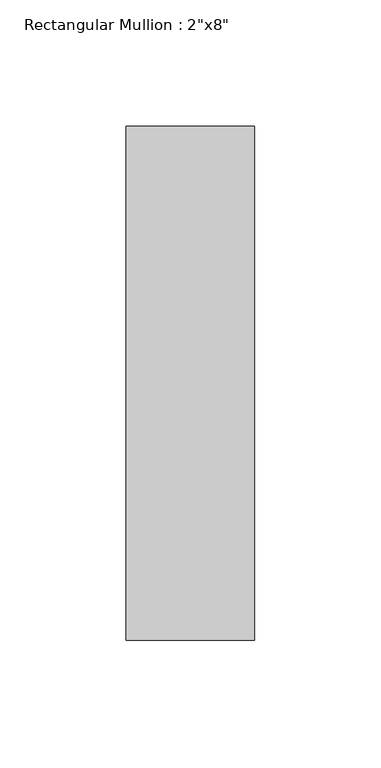
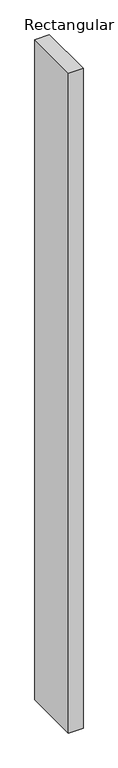
"""IFC4 building model written with IfcOpenShell, lengths in millimetres: member geometry."""

import ifcopenshell
import ifcopenshell.guid

model = None  # the IFC model being written
_history = None  # IfcOwnerHistory: only IFC2X3 demands one
_inside = {}  # id of a spatial element -> (the spatial element, [elements in it])
_under = {}  # id of a project, library or spatial element -> (it, [spatial elements below it])
_declared = {}  # id of a project -> (the project, [libraries it declares])
_typed = {}  # id of a type object -> (the type object, [elements of that type])
_made_of = {}  # id of a material, layer set ... -> (it, [elements and type objects made of it])


def new_model(schema):
    """Start an empty IFC model of exactly this schema.

    Asked for "IFC4X3", IfcOpenShell would pick the latest addendum, in which some entities
    have other attributes; the version numbers below select the first issue.
    IFC2X3 requires an IfcOwnerHistory on every rooted entity: one is made here for all.
    """
    global model, _history
    if schema == "IFC4X3":
        model = ifcopenshell.file(schema_version=(4, 3, 0, 0))
    else:
        model = ifcopenshell.file(schema=schema)
    _inside.clear()
    _under.clear()
    _declared.clear()
    _typed.clear()
    _made_of.clear()
    _history = None
    if model.schema == "IFC2X3":
        org = make("IfcOrganization", Name="unknown")
        user = make(
            "IfcPersonAndOrganization",
            ThePerson=make("IfcPerson", FamilyName="unknown"),
            TheOrganization=org,
        )
        app = make(
            "IfcApplication",
            ApplicationDeveloper=org,
            Version="unknown",
            ApplicationFullName="unknown",
            ApplicationIdentifier="unknown",
        )
        _history = make(
            "IfcOwnerHistory",
            OwningUser=user,
            OwningApplication=app,
            ChangeAction="ADDED",
            CreationDate=0,
        )
    return model


def make(cls, **values):
    """One entity of the class cls with the attributes given. An attribute that is None is left unset."""
    return model.create_entity(
        cls, **{name: value for name, value in values.items() if value is not None}
    )


def rooted(cls, **values):
    """An entity with a GlobalId (a new one), such as an element, a storey or a relation."""
    return make(cls, GlobalId=ifcopenshell.guid.new(), OwnerHistory=_history, **values)


def si_unit(unit_type, name, prefix=None):
    """IfcSIUnit, for example si_unit("LENGTHUNIT", "METRE", prefix="MILLI")."""
    return make("IfcSIUnit", UnitType=unit_type, Prefix=prefix, Name=name)


def assignment(units):
    """IfcUnitAssignment: the units of a project."""
    return None if units is None else make("IfcUnitAssignment", Units=units)


def point(xyz):
    """IfcCartesianPoint."""
    return None if xyz is None else make("IfcCartesianPoint", Coordinates=xyz)


def direction(xyz):
    """IfcDirection."""
    return None if xyz is None else make("IfcDirection", DirectionRatios=xyz)


def frame(location, z_axis=None, x_axis=None):
    """IfcAxis2Placement3D, a coordinate frame: its origin and axes. An axis left out is left unset."""
    return make(
        "IfcAxis2Placement3D",
        Location=point(location),
        Axis=direction(z_axis),
        RefDirection=direction(x_axis),
    )


def origin():
    """The frame at (0, 0, 0) with its axes left unset."""
    return frame((0.0, 0.0, 0.0))


def place(relative_to, where):
    """IfcLocalPlacement: puts the frame where relative to a parent placement (None: the world)."""
    return make(
        "IfcLocalPlacement", PlacementRelTo=relative_to, RelativePlacement=where
    )


def context(
    kind, dimensions, precision=None, world=None, true_north=None, identifier=None
):
    """IfcGeometricRepresentationContext, for example the 3D "Model" context."""
    return make(
        "IfcGeometricRepresentationContext",
        ContextIdentifier=identifier,
        ContextType=kind,
        CoordinateSpaceDimension=dimensions,
        Precision=precision,
        WorldCoordinateSystem=world,
        TrueNorth=true_north,
    )


def project(units=None, contexts=None):
    """IfcProject with its units and contexts."""
    return rooted(
        "IfcProject",
        Name="project",
        RepresentationContexts=contexts,
        UnitsInContext=assignment(units),
    )


def spatial(cls, under=None, at=None, **own):
    """A site, building, storey or space (cls), placed at a placement, below another one or the project."""
    s = rooted(cls, ObjectPlacement=at, **own)
    if under is not None:
        _under.setdefault(under.id(), (under, []))[1].append(s)
    return s


def polyline(points):
    """IfcPolyline through the points."""
    return make("IfcPolyline", Points=[point(p) for p in points])


def outline(outer, holes=None, kind="AREA"):
    """IfcArbitraryClosedProfileDef: a profile drawn as a closed curve; with holes, ...WithVoids."""
    if holes is None:
        return make("IfcArbitraryClosedProfileDef", ProfileType=kind, OuterCurve=outer)
    return make(
        "IfcArbitraryProfileDefWithVoids",
        ProfileType=kind,
        OuterCurve=outer,
        InnerCurves=holes,
    )


def extrude(swept, where, along, depth):
    """IfcExtrudedAreaSolid: the profile swept, set in the frame where, extruded along a direction by depth."""
    return make(
        "IfcExtrudedAreaSolid",
        SweptArea=swept,
        Position=where,
        ExtrudedDirection=direction(along),
        Depth=depth,
    )


def shape(context_of_items, identifier, shape_type, items):
    """IfcShapeRepresentation: the items that make up one representation, for example the "Body"."""
    return make(
        "IfcShapeRepresentation",
        ContextOfItems=context_of_items,
        RepresentationIdentifier=identifier,
        RepresentationType=shape_type,
        Items=items,
    )


def source(mapping_origin, context_of_items, identifier, shape_type, items):
    """IfcRepresentationMap: a shape defined once, which mapped items show again and again."""
    return make(
        "IfcRepresentationMap",
        MappingOrigin=mapping_origin,
        MappedRepresentation=shape(context_of_items, identifier, shape_type, items),
    )


def transform(
    local_origin,
    x_axis=None,
    y_axis=None,
    z_axis=None,
    scale=None,
    scale2=None,
    scale3=None,
    uniform=True,
):
    """IfcCartesianTransformationOperator3D, or its non-uniform kind. x_axis, y_axis, z_axis: its Axis1, 2, 3."""
    if uniform:
        return make(
            "IfcCartesianTransformationOperator3D",
            Axis1=direction(x_axis),
            Axis2=direction(y_axis),
            LocalOrigin=point(local_origin),
            Scale=scale,
            Axis3=direction(z_axis),
        )
    return make(
        "IfcCartesianTransformationOperator3DnonUniform",
        Axis1=direction(x_axis),
        Axis2=direction(y_axis),
        LocalOrigin=point(local_origin),
        Scale=scale,
        Axis3=direction(z_axis),
        Scale2=scale2,
        Scale3=scale3,
    )


def mapped(mapping_source, mapping_target):
    """IfcMappedItem: shows the shape of a source again, moved by a transform."""
    return make(
        "IfcMappedItem", MappingSource=mapping_source, MappingTarget=mapping_target
    )


def made_of(thing, what):
    """Note that an element or type object is made of a material, layer set ...; save() writes the relation."""
    if what is not None:
        _made_of.setdefault(what.id(), (what, []))[1].append(thing)
    return thing


def element(
    cls,
    number,
    at=None,
    inside=None,
    cuts=None,
    type_object=None,
    material=None,
    context=None,
    identifier="Body",
    shape_type=None,
    held_by="IfcProductDefinitionShape",
    body=None,
    shapes=None,
    **own,
):
    """One element of the class cls, such as IfcWall. Its Tag is "e" and its number.

    at: its placement. inside: the storey or other place that contains it. cuts: it is an
    opening in that element (IfcRelVoidsElement). A single representation is given by context,
    identifier, shape_type and body (its items); several are given by shapes. held_by: the class
    of the entity that holds the representations. save() writes the other relations.
    """
    e = rooted(cls, Tag="e%d" % number, ObjectPlacement=at, **own)
    if body is not None:
        shapes = [shape(context, identifier, shape_type, body)]
    if shapes is not None:
        e.Representation = make(held_by, Representations=shapes)
    if inside is not None:
        _inside.setdefault(inside.id(), (inside, []))[1].append(e)
    if cuts is not None:
        rooted(
            "IfcRelVoidsElement", RelatingBuildingElement=cuts, RelatedOpeningElement=e
        )
    if type_object is not None:
        _typed.setdefault(type_object.id(), (type_object, []))[1].append(e)
    return made_of(e, material)


def aggregate(whole, parts):
    """IfcRelAggregates: a whole, such as a stair, and the parts it consists of."""
    return rooted("IfcRelAggregates", RelatingObject=whole, RelatedObjects=parts)


def save(model, path):
    """Write the relations noted so far, then the file.

    IfcRelAggregates (storeys below a building ...), IfcRelContainedInSpatialStructure (elements
    in a storey), IfcRelDefinesByType, IfcRelAssociatesMaterial and IfcRelDeclares: one each for
    every whole, place, type object, material and project.
    """
    for whole, parts in _under.values():
        aggregate(whole, parts)
    for where, things in _inside.values():
        rooted(
            "IfcRelContainedInSpatialStructure",
            RelatedElements=things,
            RelatingStructure=where,
        )
    for kind, things in _typed.values():
        rooted("IfcRelDefinesByType", RelatedObjects=things, RelatingType=kind)
    for what, things in _made_of.values():
        rooted("IfcRelAssociatesMaterial", RelatedObjects=things, RelatingMaterial=what)
    for by, libraries in _declared.values():
        rooted("IfcRelDeclares", RelatingContext=by, RelatedDefinitions=libraries)
    model.write(path)


def member_f717a8ec(model_context):
    return source(origin(), model_context, "Body", "SweptSolid", [
        extrude(outline(polyline([(0.0, 101.6), (0.0, -101.6), (-50.8, -101.6), (-50.8, 101.6), (0.0, 101.6)])), frame((0.0, 0.0, -2438.4), z_axis=(0.0, 0.0, 1.0), x_axis=(1.0, 0.0, 0.0)), (0.0, 0.0, 1.0), 2438.4),
    ])


if __name__ == "__main__":
    model = new_model("IFC4")
    model_context = context("Model", 3, world=origin())
    ifc_project = project(units=[si_unit("LENGTHUNIT", "METRE", prefix="MILLI")], contexts=[model_context])
    site = spatial("IfcSite", under=ifc_project)
    building = spatial("IfcBuilding", under=site)
    placement = place(None, origin())
    member_shape = member_f717a8ec(model_context)
    element("IfcMember", 1, ObjectType="Rectangular Mullion : 2\"x8\"", at=placement, inside=building, context=model_context, shape_type="MappedRepresentation", body=[
        mapped(member_shape, transform((0.0, 0.0, 0.0), x_axis=(1.0, 0.0, 0.0), y_axis=(0.0, 1.0, 0.0), z_axis=(0.0, 0.0, 1.0))),
    ])
    save(model, "model.ifc")
